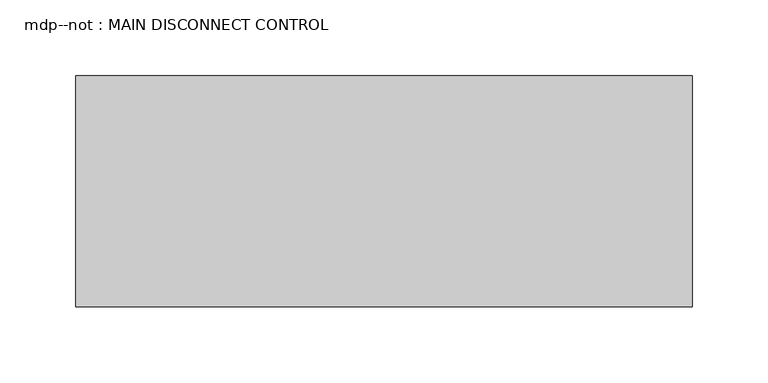
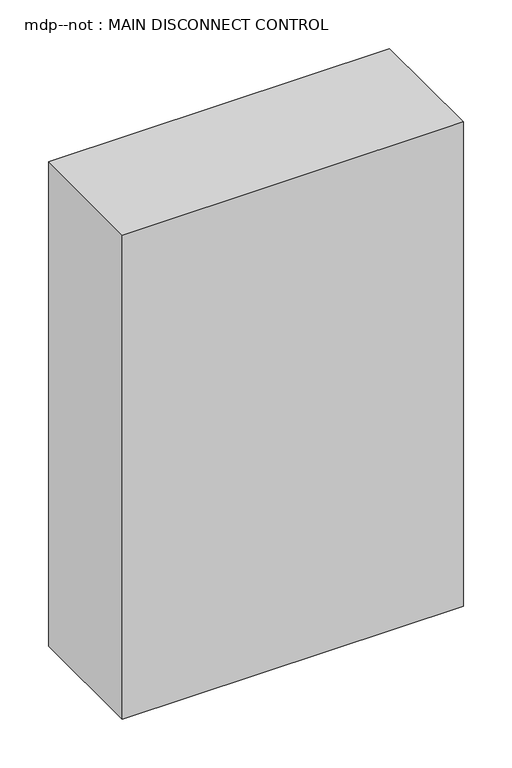
"""IFC4 building model written with IfcOpenShell, lengths in millimetres: proxy geometry, mdp--not : MAIN DISCONNECT CONTROL."""

from ifc_helpers import new_model, si_unit, frame, origin, place, context, project, spatial, polyline, outline, extrude, source, transform, mapped, element, save


def mdp_not_main_disconnect_control_0521fac0(model_context):
    return source(origin(), model_context, "Body", "SweptSolid", [
        extrude(outline(polyline([(203.2, 101.6), (203.2, -50.8), (-203.2, -50.8), (-203.2, 101.6), (203.2, 101.6)])), frame((0.0, 0.0, 1219.2), z_axis=(0.0, 0.0, 1.0), x_axis=(1.0, 0.0, 0.0)), (0.0, 0.0, 1.0), 609.6),
    ])


if __name__ == "__main__":
    model = new_model("IFC4")
    model_context = context("Model", 3, world=origin())
    ifc_project = project(units=[si_unit("LENGTHUNIT", "METRE", prefix="MILLI")], contexts=[model_context])
    site = spatial("IfcSite", under=ifc_project)
    building = spatial("IfcBuilding", under=site)
    placement = place(None, origin())
    mdp_not_main_disconnect_control_shape = mdp_not_main_disconnect_control_0521fac0(model_context)
    element("IfcBuildingElementProxy", 1, Name="mdp--not : MAIN DISCONNECT CONTROL", ObjectType="mdp--not : MAIN DISCONNECT CONTROL", at=placement, inside=building, context=model_context, shape_type="MappedRepresentation", body=[
        mapped(mdp_not_main_disconnect_control_shape, transform((0.0, 0.0, 0.0), x_axis=(1.0, 0.0, 0.0), y_axis=(0.0, 1.0, 0.0), z_axis=(0.0, 0.0, 1.0))),
    ])
    save(model, "model.ifc")
